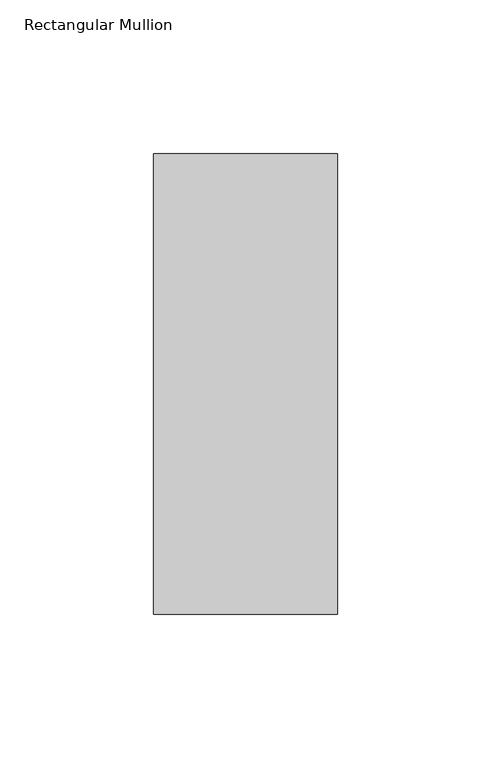
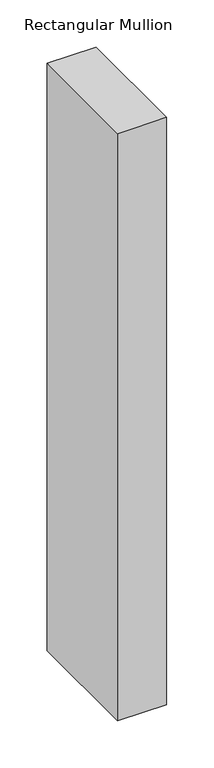
"""IFC4 building model written with IfcOpenShell, lengths in millimetres: member geometry, Rectangular Mullion."""

from ifc_helpers import new_model, si_unit, frame, origin, place, context, project, spatial, polyline, outline, extrude, source, transform, mapped, element, save


def rectangular_mullion_49748947(model_context):
    return source(origin(), model_context, "Body", "SweptSolid", [
        extrude(outline(polyline([(30.0, 75.0), (30.0, -75.0), (-30.0, -75.0), (-30.0, 75.0), (30.0, 75.0)])), frame((0.0, 0.0, -760.0), z_axis=(0.0, 0.0, 1.0), x_axis=(1.0, 0.0, 0.0)), (0.0, 0.0, 1.0), 760.0),
    ])


if __name__ == "__main__":
    model = new_model("IFC4")
    model_context = context("Model", 3, world=origin())
    ifc_project = project(units=[si_unit("LENGTHUNIT", "METRE", prefix="MILLI")], contexts=[model_context])
    site = spatial("IfcSite", under=ifc_project)
    building = spatial("IfcBuilding", under=site)
    placement = place(None, origin())
    rectangular_mullion_shape = rectangular_mullion_49748947(model_context)
    element("IfcMember", 1, ObjectType="Rectangular Mullion", at=placement, inside=building, context=model_context, shape_type="MappedRepresentation", body=[
        mapped(rectangular_mullion_shape, transform((0.0, 0.0, 0.0), x_axis=(1.0, 0.0, 0.0), y_axis=(0.0, 1.0, 0.0), z_axis=(0.0, 0.0, 1.0))),
    ])
    save(model, "model.ifc")
